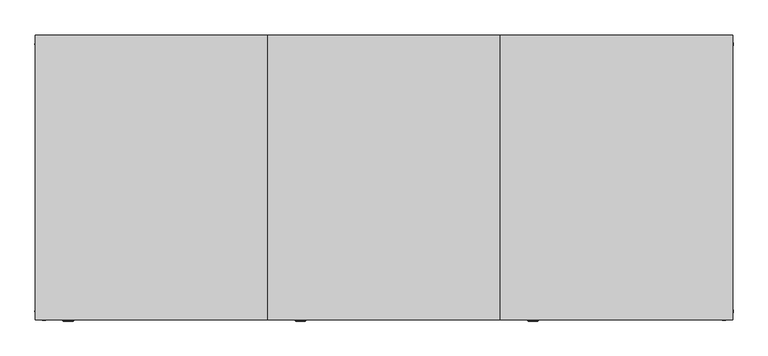
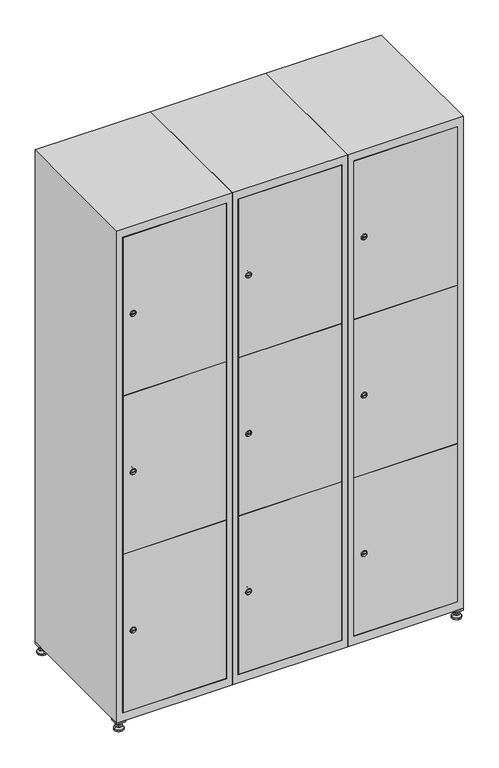
"""IFC4 building model written with IfcOpenShell, lengths in millimetres: furniture geometry."""

from ifc_helpers import new_model, si_unit, point, frame, frame_2d, origin, origin_with_axes, place, context, project, spatial, polyline, circle_curve, trimmed, segment, composite_curve, outline, extrude, faceted_brep, source, transform, mapped, element, save
from ifc_brep_helpers import plane_surface, revolved_surface, advanced_brep


def furniture_94827fb9(model_context):
    return source(origin(), model_context, "Body", "SolidModel", [
        extrude(outline(polyline([(1000.0, 245.0), (1000.0, 215.0), (970.0, 215.0), (970.0, 245.0), (1000.0, 245.0)]), holes=[polyline([(998.0, 243.0), (972.0, 243.0), (972.0, 217.0), (998.0, 217.0), (998.0, 243.0)])]), frame((0.0, 0.0, 28.5), z_axis=(0.0, 0.0, 1.0), x_axis=(1.0, 0.0, 0.0)), (0.0, 0.0, 1.0), 6.5),
        extrude(outline(polyline([(970.0, -245.0), (970.0, -215.0), (1000.0, -215.0), (1000.0, -245.0), (970.0, -245.0)]), holes=[polyline([(972.0, -243.0), (998.0, -243.0), (998.0, -217.0), (972.0, -217.0), (972.0, -243.0)])]), frame((0.0, 0.0, 28.5), z_axis=(0.0, 0.0, 1.0), x_axis=(1.0, 0.0, 0.0)), (0.0, 0.0, 1.0), 6.5),
        extrude(outline(polyline([(-170.0, 245.0), (-170.0, 215.0), (-200.0, 215.0), (-200.0, 245.0), (-170.0, 245.0)]), holes=[polyline([(-172.0, 243.0), (-198.0, 243.0), (-198.0, 217.0), (-172.0, 217.0), (-172.0, 243.0)])]), frame((0.0, 0.0, 28.5), z_axis=(0.0, 0.0, 1.0), x_axis=(1.0, 0.0, 0.0)), (0.0, 0.0, 1.0), 6.5),
        extrude(outline(polyline([(-170.0, -215.0), (-170.0, -245.0), (-200.0, -245.0), (-200.0, -215.0), (-170.0, -215.0)]), holes=[polyline([(-198.0, -243.0), (-172.0, -243.0), (-172.0, -217.0), (-198.0, -217.0), (-198.0, -243.0)])]), frame((0.0, 0.0, 28.5), z_axis=(0.0, 0.0, 1.0), x_axis=(1.0, 0.0, 0.0)), (0.0, 0.0, 1.0), 6.5),
        extrude(outline(composite_curve([segment(trimmed(circle_curve(frame_2d((-185.0, 230.0)), 5.0), [point((-180.0, 230.0))], [point((-190.0, 230.0))], False, "CARTESIAN"), True, "CONTINUOUS"), segment(trimmed(circle_curve(frame_2d((-185.0, 230.0)), 5.0), [point((-190.0, 230.0))], [point((-180.0, 230.0))], False, "CARTESIAN"), True, "CONTINUOUS")], self_intersect=False)), frame((0.0, 0.0, 19.6), z_axis=(0.0, 0.0, 1.0), x_axis=(1.0, 0.0, 0.0)), (0.0, 0.0, 1.0), 15.4),
        extrude(outline(composite_curve([segment(trimmed(circle_curve(frame_2d((-185.0, -230.0)), 5.0), [point((-180.0, -230.0))], [point((-190.0, -230.0))], False, "CARTESIAN"), True, "CONTINUOUS"), segment(trimmed(circle_curve(frame_2d((-185.0, -230.0)), 5.0), [point((-190.0, -230.0))], [point((-180.0, -230.0))], False, "CARTESIAN"), True, "CONTINUOUS")], self_intersect=False)), frame((0.0, 0.0, 19.6), z_axis=(0.0, 0.0, 1.0), x_axis=(1.0, 0.0, 0.0)), (0.0, 0.0, 1.0), 15.4),
        extrude(outline(composite_curve([segment(trimmed(circle_curve(frame_2d((985.0, 230.0)), 5.0), [point((990.0, 230.0))], [point((980.0, 230.0))], False, "CARTESIAN"), True, "CONTINUOUS"), segment(trimmed(circle_curve(frame_2d((985.0, 230.0)), 5.0), [point((980.0, 230.0))], [point((990.0, 230.0))], False, "CARTESIAN"), True, "CONTINUOUS")], self_intersect=False)), frame((0.0, 0.0, 19.6), z_axis=(0.0, 0.0, 1.0), x_axis=(1.0, 0.0, 0.0)), (0.0, 0.0, 1.0), 15.4),
        extrude(outline(polyline([(973.4529946, 230.0), (979.2264973, 240.0), (990.7735027, 240.0), (996.5470054, 230.0), (990.7735027, 220.0), (979.2264973, 220.0), (973.4529946, 230.0)])), frame((0.0, 0.0, 13.6), z_axis=(0.0, 0.0, 1.0), x_axis=(1.0, 0.0, 0.0)), (0.0, 0.0, 1.0), 6.0),
        extrude(outline(composite_curve([segment(trimmed(circle_curve(frame_2d((985.0, -230.0)), 5.0), [point((990.0, -230.0))], [point((980.0, -230.0))], False, "CARTESIAN"), True, "CONTINUOUS"), segment(trimmed(circle_curve(frame_2d((985.0, -230.0)), 5.0), [point((980.0, -230.0))], [point((990.0, -230.0))], False, "CARTESIAN"), True, "CONTINUOUS")], self_intersect=False)), frame((0.0, 0.0, 19.6), z_axis=(0.0, 0.0, 1.0), x_axis=(1.0, 0.0, 0.0)), (0.0, 0.0, 1.0), 15.4),
        extrude(outline(polyline([(973.4529946, -230.0), (979.2264973, -220.0), (990.7735027, -220.0), (996.5470054, -230.0), (990.7735027, -240.0), (979.2264973, -240.0), (973.4529946, -230.0)])), frame((0.0, 0.0, 13.6), z_axis=(0.0, 0.0, 1.0), x_axis=(1.0, 0.0, 0.0)), (0.0, 0.0, 1.0), 6.0),
        extrude(outline(composite_curve([segment(trimmed(circle_curve(frame_2d((985.0, 230.0)), 5.0), [point((990.0, 230.0))], [point((980.0, 230.0))], False, "CARTESIAN"), True, "CONTINUOUS"), segment(trimmed(circle_curve(frame_2d((985.0, 230.0)), 5.0), [point((980.0, 230.0))], [point((990.0, 230.0))], False, "CARTESIAN"), True, "CONTINUOUS")], self_intersect=False)), frame((0.0, 0.0, 12.1), z_axis=(0.0, 0.0, 1.0), x_axis=(1.0, 0.0, 0.0)), (0.0, 0.0, 1.0), 1.5),
        extrude(outline(composite_curve([segment(trimmed(circle_curve(frame_2d((985.0, -230.0)), 5.0), [point((990.0, -230.0))], [point((980.0, -230.0))], False, "CARTESIAN"), True, "CONTINUOUS"), segment(trimmed(circle_curve(frame_2d((985.0, -230.0)), 5.0), [point((980.0, -230.0))], [point((990.0, -230.0))], False, "CARTESIAN"), True, "CONTINUOUS")], self_intersect=False)), frame((0.0, 0.0, 12.1), z_axis=(0.0, 0.0, 1.0), x_axis=(1.0, 0.0, 0.0)), (0.0, 0.0, 1.0), 1.5),
        extrude(outline(polyline([(-196.5470054, 230.0), (-190.7735027, 240.0), (-179.2264973, 240.0), (-173.4529946, 230.0), (-179.2264973, 220.0), (-190.7735027, 220.0), (-196.5470054, 230.0)])), frame((0.0, 0.0, 13.6), z_axis=(0.0, 0.0, 1.0), x_axis=(1.0, 0.0, 0.0)), (0.0, 0.0, 1.0), 6.0),
        extrude(outline(polyline([(-196.5470054, -230.0), (-190.7735027, -220.0), (-179.2264973, -220.0), (-173.4529946, -230.0), (-179.2264973, -240.0), (-190.7735027, -240.0), (-196.5470054, -230.0)])), frame((0.0, 0.0, 13.6), z_axis=(0.0, 0.0, 1.0), x_axis=(1.0, 0.0, 0.0)), (0.0, 0.0, 1.0), 6.0),
        extrude(outline(composite_curve([segment(trimmed(circle_curve(frame_2d((-185.0, 230.0)), 5.0), [point((-185.0, 235.0))], [point((-185.0, 225.0))], False, "CARTESIAN"), True, "CONTINUOUS"), segment(trimmed(circle_curve(frame_2d((-185.0, 230.0)), 5.0), [point((-185.0, 225.0))], [point((-185.0, 235.0))], False, "CARTESIAN"), True, "CONTINUOUS")], self_intersect=False)), frame((0.0, 0.0, 12.1), z_axis=(0.0, 0.0, 1.0), x_axis=(1.0, 0.0, 0.0)), (0.0, 0.0, 1.0), 1.5),
        extrude(outline(composite_curve([segment(trimmed(circle_curve(frame_2d((-185.0, -230.0)), 5.0), [point((-180.0, -230.0))], [point((-190.0, -230.0))], False, "CARTESIAN"), True, "CONTINUOUS"), segment(trimmed(circle_curve(frame_2d((-185.0, -230.0)), 5.0), [point((-190.0, -230.0))], [point((-180.0, -230.0))], False, "CARTESIAN"), True, "CONTINUOUS")], self_intersect=False)), frame((0.0, 0.0, 12.1), z_axis=(0.0, 0.0, 1.0), x_axis=(1.0, 0.0, 0.0)), (0.0, 0.0, 1.0), 1.5),
        extrude(outline(composite_curve([segment(trimmed(circle_curve(frame_2d((985.0, 230.0)), 15.75), [point((1000.75, 230.0))], [point((969.25, 230.0))], False, "CARTESIAN"), True, "CONTINUOUS"), segment(trimmed(circle_curve(frame_2d((985.0, 230.0)), 15.75), [point((969.25, 230.0))], [point((1000.75, 230.0))], False, "CARTESIAN"), True, "CONTINUOUS")], self_intersect=False)), origin_with_axes(), (0.0, 0.0, 1.0), 5.1),
        extrude(outline(composite_curve([segment(trimmed(circle_curve(frame_2d((985.0, -230.0)), 15.75), [point((985.0, -214.25))], [point((985.0, -245.75))], False, "CARTESIAN"), True, "CONTINUOUS"), segment(trimmed(circle_curve(frame_2d((985.0, -230.0)), 15.75), [point((985.0, -245.75))], [point((985.0, -214.25))], False, "CARTESIAN"), True, "CONTINUOUS")], self_intersect=False)), origin_with_axes(), (0.0, 0.0, 1.0), 5.1),
        extrude(outline(composite_curve([segment(trimmed(circle_curve(frame_2d((-185.0, -230.0)), 15.75), [point((-169.25, -230.0))], [point((-200.75, -230.0))], False, "CARTESIAN"), True, "CONTINUOUS"), segment(trimmed(circle_curve(frame_2d((-185.0, -230.0)), 15.75), [point((-200.75, -230.0))], [point((-169.25, -230.0))], False, "CARTESIAN"), True, "CONTINUOUS")], self_intersect=False)), origin_with_axes(), (0.0, 0.0, 1.0), 5.1),
        extrude(outline(composite_curve([segment(trimmed(circle_curve(frame_2d((-185.0, 230.0)), 15.75), [point((-169.25, 230.0))], [point((-200.75, 230.0))], False, "CARTESIAN"), True, "CONTINUOUS"), segment(trimmed(circle_curve(frame_2d((-185.0, 230.0)), 15.75), [point((-200.75, 230.0))], [point((-169.25, 230.0))], False, "CARTESIAN"), True, "CONTINUOUS")], self_intersect=False)), origin_with_axes(), (0.0, 0.0, 1.0), 5.1),
        advanced_brep(
        [(-185.0, 245.75, 5.1), (-185.0, 214.25, 5.1), (-185.0, 239.5, 12.1), (-185.0, 220.5, 12.1)],
        [
            (0, 1, circle_curve(frame((-185.0, 230.0, 5.1), z_axis=(0.0, 0.0, -1.0), x_axis=(0.0, 1.0, 0.0)), 15.75)),
            (1, 0, circle_curve(frame((-185.0, 230.0, 5.1), z_axis=(0.0, 0.0, -1.0), x_axis=(0.0, -1.0, 0.0)), 15.75)),
            (2, 3, circle_curve(frame((-185.0, 230.0, 12.1), z_axis=(0.0, 0.0, 1.0), x_axis=(0.0, -1.0, 0.0)), 9.5)),
            (3, 2, circle_curve(frame((-185.0, 230.0, 12.1), z_axis=(0.0, 0.0, 1.0), x_axis=(0.0, 1.0, 0.0)), 9.5)),
            (3, 1),
            (0, 2),
        ],
        [
            plane_surface(frame((-185.0, 230.0, 5.1), z_axis=(0.0, 0.0, -1.0), x_axis=(1.0, 0.0, 0.0))),
            plane_surface(frame((-185.0, 230.0, 12.1), z_axis=(0.0, 0.0, 1.0), x_axis=(1.0, 0.0, 0.0))),
            revolved_surface(polyline([(-185.0, 220.5, 12.099999999999998), (-185.0, 214.25, 5.099999999999998)]), (-185.0, 230.0, 22.74), (0.0, 0.0, -1.0)),
            revolved_surface(polyline([(-185.0, 239.5, 12.099999999999998), (-185.0, 245.75, 5.099999999999998)]), (-185.0, 230.0, 22.74), (0.0, 0.0, -1.0)),
        ],
        [
            (0, [[1, 2]]),
            (1, [[3, 4]]),
            (2, [[-4, 5, -1, 6]]),
            (3, [[-3, -6, -2, -5]]),
        ],
    ),
        advanced_brep(
        [(985.0, 245.75, 5.1), (985.0, 214.25, 5.1), (985.0, 239.5, 12.1), (985.0, 220.5, 12.1)],
        [
            (0, 1, circle_curve(frame((985.0, 230.0, 5.1), z_axis=(0.0, 0.0, -1.0), x_axis=(0.0, 1.0, 0.0)), 15.75)),
            (1, 0, circle_curve(frame((985.0, 230.0, 5.1), z_axis=(0.0, 0.0, -1.0), x_axis=(0.0, -1.0, 0.0)), 15.75)),
            (2, 3, circle_curve(frame((985.0, 230.0, 12.1), z_axis=(0.0, 0.0, 1.0), x_axis=(0.0, -1.0, 0.0)), 9.5)),
            (3, 2, circle_curve(frame((985.0, 230.0, 12.1), z_axis=(0.0, 0.0, 1.0), x_axis=(0.0, 1.0, 0.0)), 9.5)),
            (3, 1),
            (0, 2),
        ],
        [
            plane_surface(frame((985.0, 230.0, 5.1), z_axis=(0.0, 0.0, -1.0), x_axis=(1.0, 0.0, 0.0))),
            plane_surface(frame((985.0, 230.0, 12.1), z_axis=(0.0, 0.0, 1.0), x_axis=(1.0, 0.0, 0.0))),
            revolved_surface(polyline([(985.0, 220.5, 12.099999999999998), (985.0, 214.25, 5.099999999999998)]), (985.0, 230.0, 22.74), (0.0, 0.0, -1.0)),
            revolved_surface(polyline([(985.0, 239.5, 12.099999999999998), (985.0, 245.75, 5.099999999999998)]), (985.0, 230.0, 22.74), (0.0, 0.0, -1.0)),
        ],
        [
            (0, [[1, 2]]),
            (1, [[3, 4]]),
            (2, [[-4, 5, -1, 6]]),
            (3, [[-3, -6, -2, -5]]),
        ],
    ),
        advanced_brep(
        [(994.5, -230.0, 12.1), (975.5, -230.0, 12.1), (1000.75, -230.0, 5.1), (969.25, -230.0, 5.1)],
        [
            (0, 1, circle_curve(frame((985.0, -230.0, 12.1), z_axis=(0.0, 0.0, 1.0), x_axis=(1.0, 0.0, 0.0)), 9.5)),
            (1, 0, circle_curve(frame((985.0, -230.0, 12.1), z_axis=(0.0, 0.0, 1.0), x_axis=(-1.0, 0.0, 0.0)), 9.5)),
            (2, 3, circle_curve(frame((985.0, -230.0, 5.1), z_axis=(0.0, 0.0, -1.0), x_axis=(-1.0, 0.0, 0.0)), 15.75)),
            (3, 2, circle_curve(frame((985.0, -230.0, 5.1), z_axis=(0.0, 0.0, -1.0), x_axis=(1.0, 0.0, 0.0)), 15.75)),
            (3, 1),
            (0, 2),
        ],
        [
            plane_surface(frame((985.0, -230.0, 12.1), z_axis=(0.0, 0.0, 1.0), x_axis=(0.0, 1.0, 0.0))),
            plane_surface(frame((985.0, -230.0, 5.1), z_axis=(0.0, 0.0, -1.0), x_axis=(0.0, 1.0, 0.0))),
            revolved_surface(polyline([(994.5, -230.0, 12.099999999999998), (1000.75, -230.0, 5.099999999999998)]), (985.0, -230.0, 22.74), (0.0, 0.0, -1.0)),
            revolved_surface(polyline([(975.5, -230.0, 12.099999999999998), (969.25, -230.0, 5.099999999999998)]), (985.0, -230.0, 22.74), (0.0, 0.0, -1.0)),
        ],
        [
            (0, [[1, 2]]),
            (1, [[3, 4]]),
            (2, [[-4, 5, -1, 6]]),
            (3, [[-3, -6, -2, -5]]),
        ],
    ),
        advanced_brep(
        [(-175.5, -230.0, 12.1), (-194.5, -230.0, 12.1), (-169.25, -230.0, 5.1), (-200.75, -230.0, 5.1)],
        [
            (0, 1, circle_curve(frame((-185.0, -230.0, 12.1), z_axis=(0.0, 0.0, 1.0), x_axis=(1.0, 0.0, 0.0)), 9.5)),
            (1, 0, circle_curve(frame((-185.0, -230.0, 12.1), z_axis=(0.0, 0.0, 1.0), x_axis=(-1.0, 0.0, 0.0)), 9.5)),
            (2, 3, circle_curve(frame((-185.0, -230.0, 5.1), z_axis=(0.0, 0.0, -1.0), x_axis=(-1.0, 0.0, 0.0)), 15.75)),
            (3, 2, circle_curve(frame((-185.0, -230.0, 5.1), z_axis=(0.0, 0.0, -1.0), x_axis=(1.0, 0.0, 0.0)), 15.75)),
            (3, 1),
            (0, 2),
        ],
        [
            plane_surface(frame((-185.0, -230.0, 12.1), z_axis=(0.0, 0.0, 1.0), x_axis=(0.0, 1.0, 0.0))),
            plane_surface(frame((-185.0, -230.0, 5.1), z_axis=(0.0, 0.0, -1.0), x_axis=(0.0, 1.0, 0.0))),
            revolved_surface(polyline([(-175.5, -230.0, 12.099999999999998), (-169.25, -230.0, 5.099999999999998)]), (-185.0, -230.0, 22.74), (0.0, 0.0, -1.0)),
            revolved_surface(polyline([(-194.5, -230.0, 12.099999999999998), (-200.75, -230.0, 5.099999999999998)]), (-185.0, -230.0, 22.74), (0.0, 0.0, -1.0)),
        ],
        [
            (0, [[1, 2]]),
            (1, [[3, 4]]),
            (2, [[-4, 5, -1, 6]]),
            (3, [[-3, -6, -2, -5]]),
        ],
    ),
        extrude(outline(composite_curve([segment(trimmed(circle_curve(frame_2d((355.8, 629.6010534)), 7.0), [point((362.8, 629.6010534))], [point((348.8, 629.6010534))], False, "CARTESIAN"), True, "CONTINUOUS"), segment(polyline([(348.8, 629.6010534), (348.8, 657.6010534)]), True, "CONTINUOUS"), segment(trimmed(circle_curve(frame_2d((355.8, 657.6010534)), 7.0), [point((348.8, 657.6010534))], [point((362.8, 657.6010534))], False, "CARTESIAN"), True, "CONTINUOUS"), segment(polyline([(362.8, 657.6010534), (362.8, 629.6010534)]), True, "CONTINUOUS")], self_intersect=False)), frame((0.0, -227.0, 0.0), z_axis=(0.0, 1.0, 0.0), x_axis=(0.0, 0.0, 1.0)), (0.0, 0.0, 1.0), 2.0),
        advanced_brep(
        [(664.9, -247.2, 355.8), (647.9, -247.2, 355.8), (651.4, -247.2, 354.55), (651.4, -247.2, 357.05), (661.4, -247.2, 357.05), (661.4, -247.2, 354.55), (666.9, -245.0, 355.8), (645.9, -245.0, 355.8), (651.4, -245.0, 357.05), (651.4, -245.0, 354.55), (661.4, -245.0, 354.55), (661.4, -245.0, 357.05)],
        [
            (0, 1, circle_curve(frame((656.4, -247.2, 355.8), z_axis=(0.0, -1.0, 0.0), x_axis=(1.0, 0.0, 0.0)), 8.5)),
            (1, 0, circle_curve(frame((656.4, -247.2, 355.8), z_axis=(0.0, -1.0, 0.0), x_axis=(-1.0, 0.0, 0.0)), 8.5)),
            (2, 3),
            (3, 4),
            (4, 5),
            (5, 2),
            (6, 7, circle_curve(frame((656.4, -245.0, 355.8), z_axis=(0.0, 1.0, 0.0), x_axis=(-1.0, 0.0, 0.0)), 10.5)),
            (7, 6, circle_curve(frame((656.4, -245.0, 355.8), z_axis=(0.0, 1.0, 0.0), x_axis=(1.0, 0.0, 0.0)), 10.5)),
            (8, 9),
            (9, 10),
            (10, 11),
            (11, 8),
            (0, 6),
            (7, 1),
            (8, 3),
            (2, 9),
            (11, 4),
            (10, 5),
        ],
        [
            plane_surface(frame((656.4, -247.2, 355.8), z_axis=(0.0, -1.0, 0.0), x_axis=(0.0, 0.0, 1.0))),
            plane_surface(frame((656.4, -245.0, 355.8), z_axis=(0.0, 1.0, 0.0), x_axis=(0.0, 0.0, 1.0))),
            revolved_surface(polyline([(664.9, -247.2, 355.8), (666.9, -245.0, 355.8)]), (656.4, -256.55, 355.8), (0.0, 1.0, 0.0)),
            revolved_surface(polyline([(647.9, -247.2, 355.8), (645.9, -245.0, 355.8)]), (656.4, -256.55, 355.8), (0.0, 1.0, 0.0)),
            plane_surface(frame((651.4, -245.0, 354.55), z_axis=(1.0, 0.0, 0.0), x_axis=(0.0, -1.0, 0.0))),
            plane_surface(frame((651.4, -245.0, 357.05), z_axis=(0.0, 0.0, -1.0), x_axis=(0.0, -1.0, 0.0))),
            plane_surface(frame((661.4, -245.0, 357.05), z_axis=(-1.0, 0.0, 0.0), x_axis=(0.0, -1.0, 0.0))),
            plane_surface(frame((661.4, -245.0, 354.55), z_axis=(0.0, 0.0, 1.0), x_axis=(0.0, -1.0, 0.0))),
        ],
        [
            (0, [[1, 2], [3, 4, 5, 6]]),
            (1, [[7, 8], [9, 10, 11, 12]]),
            (2, [[-1, 13, -8, 14]]),
            (3, [[-2, -14, -7, -13]]),
            (4, [[15, -3, 16, -9]]),
            (5, [[-15, -12, 17, -4]]),
            (6, [[-17, -11, 18, -5]]),
            (7, [[-16, -6, -18, -10]]),
        ],
    ),
        extrude(outline(composite_curve([segment(trimmed(circle_curve(frame_2d((935.0, 629.6010534)), 7.0), [point((942.0, 629.6010534))], [point((928.0, 629.6010534))], False, "CARTESIAN"), True, "CONTINUOUS"), segment(polyline([(928.0, 629.6010534), (928.0, 657.6010534)]), True, "CONTINUOUS"), segment(trimmed(circle_curve(frame_2d((935.0, 657.6010534)), 7.0), [point((928.0, 657.6010534))], [point((942.0, 657.6010534))], False, "CARTESIAN"), True, "CONTINUOUS"), segment(polyline([(942.0, 657.6010534), (942.0, 629.6010534)]), True, "CONTINUOUS")], self_intersect=False)), frame((0.0, -227.0, 0.0), z_axis=(0.0, 1.0, 0.0), x_axis=(0.0, 0.0, 1.0)), (0.0, 0.0, 1.0), 2.0),
        advanced_brep(
        [(664.9, -247.2, 935.0), (647.9, -247.2, 935.0), (651.4, -247.2, 933.75), (651.4, -247.2, 936.25), (661.4, -247.2, 936.25), (661.4, -247.2, 933.75), (666.9, -245.0, 935.0), (645.9, -245.0, 935.0), (651.4, -245.0, 936.25), (651.4, -245.0, 933.75), (661.4, -245.0, 933.75), (661.4, -245.0, 936.25)],
        [
            (0, 1, circle_curve(frame((656.4, -247.2, 935.0), z_axis=(0.0, -1.0, 0.0), x_axis=(1.0, 0.0, 0.0)), 8.5)),
            (1, 0, circle_curve(frame((656.4, -247.2, 935.0), z_axis=(0.0, -1.0, 0.0), x_axis=(-1.0, 0.0, 0.0)), 8.5)),
            (2, 3),
            (3, 4),
            (4, 5),
            (5, 2),
            (6, 7, circle_curve(frame((656.4, -245.0, 935.0), z_axis=(0.0, 1.0, 0.0), x_axis=(-1.0, 0.0, 0.0)), 10.5)),
            (7, 6, circle_curve(frame((656.4, -245.0, 935.0), z_axis=(0.0, 1.0, 0.0), x_axis=(1.0, 0.0, 0.0)), 10.5)),
            (8, 9),
            (9, 10),
            (10, 11),
            (11, 8),
            (0, 6),
            (7, 1),
            (8, 3),
            (2, 9),
            (11, 4),
            (10, 5),
        ],
        [
            plane_surface(frame((656.4, -247.2, 935.0), z_axis=(0.0, -1.0, 0.0), x_axis=(0.0, 0.0, 1.0))),
            plane_surface(frame((656.4, -245.0, 935.0), z_axis=(0.0, 1.0, 0.0), x_axis=(0.0, 0.0, 1.0))),
            revolved_surface(polyline([(664.9, -247.2, 935.0), (666.9, -245.0, 935.0)]), (656.4, -256.55, 935.0), (0.0, 1.0, 0.0)),
            revolved_surface(polyline([(647.9, -247.2, 935.0), (645.9, -245.0, 935.0)]), (656.4, -256.55, 935.0), (0.0, 1.0, 0.0)),
            plane_surface(frame((651.4, -245.0, 933.75), z_axis=(1.0, 0.0, 0.0), x_axis=(0.0, -1.0, 0.0))),
            plane_surface(frame((651.4, -245.0, 936.25), z_axis=(0.0, 0.0, -1.0), x_axis=(0.0, -1.0, 0.0))),
            plane_surface(frame((661.4, -245.0, 936.25), z_axis=(-1.0, 0.0, 0.0), x_axis=(0.0, -1.0, 0.0))),
            plane_surface(frame((661.4, -245.0, 933.75), z_axis=(0.0, 0.0, 1.0), x_axis=(0.0, -1.0, 0.0))),
        ],
        [
            (0, [[1, 2], [3, 4, 5, 6]]),
            (1, [[7, 8], [9, 10, 11, 12]]),
            (2, [[-1, 13, -8, 14]]),
            (3, [[-2, -14, -7, -13]]),
            (4, [[15, -3, 16, -9]]),
            (5, [[-15, -12, 17, -4]]),
            (6, [[-17, -11, 18, -5]]),
            (7, [[-16, -6, -18, -10]]),
        ],
    ),
        extrude(outline(composite_curve([segment(trimmed(circle_curve(frame_2d((1514.2, 629.6010534)), 7.0), [point((1521.2, 629.6010534))], [point((1507.2, 629.6010534))], False, "CARTESIAN"), True, "CONTINUOUS"), segment(polyline([(1507.2, 629.6010534), (1507.2, 657.6010534)]), True, "CONTINUOUS"), segment(trimmed(circle_curve(frame_2d((1514.2, 657.6010534)), 7.0), [point((1507.2, 657.6010534))], [point((1521.2, 657.6010534))], False, "CARTESIAN"), True, "CONTINUOUS"), segment(polyline([(1521.2, 657.6010534), (1521.2, 629.6010534)]), True, "CONTINUOUS")], self_intersect=False)), frame((0.0, -227.0, 0.0), z_axis=(0.0, 1.0, 0.0), x_axis=(0.0, 0.0, 1.0)), (0.0, 0.0, 1.0), 2.0),
        advanced_brep(
        [(664.9, -247.2, 1514.2), (647.9, -247.2, 1514.2), (651.4, -247.2, 1512.95), (651.4, -247.2, 1515.45), (661.4, -247.2, 1515.45), (661.4, -247.2, 1512.95), (666.9, -245.0, 1514.2), (645.9, -245.0, 1514.2), (651.4, -245.0, 1515.45), (651.4, -245.0, 1512.95), (661.4, -245.0, 1512.95), (661.4, -245.0, 1515.45)],
        [
            (0, 1, circle_curve(frame((656.4, -247.2, 1514.2), z_axis=(0.0, -1.0, 0.0), x_axis=(1.0, 0.0, 0.0)), 8.5)),
            (1, 0, circle_curve(frame((656.4, -247.2, 1514.2), z_axis=(0.0, -1.0, 0.0), x_axis=(-1.0, 0.0, 0.0)), 8.5)),
            (2, 3),
            (3, 4),
            (4, 5),
            (5, 2),
            (6, 7, circle_curve(frame((656.4, -245.0, 1514.2), z_axis=(0.0, 1.0, 0.0), x_axis=(-1.0, 0.0, 0.0)), 10.5)),
            (7, 6, circle_curve(frame((656.4, -245.0, 1514.2), z_axis=(0.0, 1.0, 0.0), x_axis=(1.0, 0.0, 0.0)), 10.5)),
            (8, 9),
            (9, 10),
            (10, 11),
            (11, 8),
            (0, 6),
            (7, 1),
            (8, 3),
            (2, 9),
            (11, 4),
            (10, 5),
        ],
        [
            plane_surface(frame((656.4, -247.2, 1514.2), z_axis=(0.0, -1.0, 0.0), x_axis=(0.0, 0.0, 1.0))),
            plane_surface(frame((656.4, -245.0, 1514.2), z_axis=(0.0, 1.0, 0.0), x_axis=(0.0, 0.0, 1.0))),
            revolved_surface(polyline([(664.9, -247.2, 1514.2), (666.9, -245.0, 1514.2)]), (656.4, -256.55, 1514.2), (0.0, 1.0, 0.0)),
            revolved_surface(polyline([(647.9, -247.2, 1514.2), (645.9, -245.0, 1514.2)]), (656.4, -256.55, 1514.2), (0.0, 1.0, 0.0)),
            plane_surface(frame((651.4, -245.0, 1512.95), z_axis=(1.0, 0.0, 0.0), x_axis=(0.0, -1.0, 0.0))),
            plane_surface(frame((651.4, -245.0, 1515.45), z_axis=(0.0, 0.0, -1.0), x_axis=(0.0, -1.0, 0.0))),
            plane_surface(frame((661.4, -245.0, 1515.45), z_axis=(-1.0, 0.0, 0.0), x_axis=(0.0, -1.0, 0.0))),
            plane_surface(frame((661.4, -245.0, 1512.95), z_axis=(0.0, 0.0, 1.0), x_axis=(0.0, -1.0, 0.0))),
        ],
        [
            (0, [[1, 2], [3, 4, 5, 6]]),
            (1, [[7, 8], [9, 10, 11, 12]]),
            (2, [[-1, 13, -8, 14]]),
            (3, [[-2, -14, -7, -13]]),
            (4, [[15, -3, 16, -9]]),
            (5, [[-15, -12, 17, -4]]),
            (6, [[-17, -11, 18, -5]]),
            (7, [[-16, -6, -18, -10]]),
        ],
    ),
        extrude(outline(polyline([(978.6, -227.0), (978.6, -245.0), (621.4, -245.0), (621.4, -227.0), (978.6, -227.0)])), frame((0.0, 0.0, 645.9), z_axis=(0.0, 0.0, 1.0), x_axis=(1.0, 0.0, 0.0)), (0.0, 0.0, 1.0), 578.2),
        extrude(outline(polyline([(621.4, -245.0), (621.4, -227.0), (978.6, -227.0), (978.6, -245.0), (621.4, -245.0)])), frame((0.0, 0.0, 1225.1), z_axis=(0.0, 0.0, 1.0), x_axis=(1.0, 0.0, 0.0)), (0.0, 0.0, 1.0), 578.7),
        extrude(outline(polyline([(978.6, -227.0), (978.6, -245.0), (621.4, -245.0), (621.4, -227.0), (978.6, -227.0)])), frame((0.0, 0.0, 66.2), z_axis=(0.0, 0.0, 1.0), x_axis=(1.0, 0.0, 0.0)), (0.0, 0.0, 1.0), 578.7),
        extrude(outline(polyline([(979.6, 242.0), (979.6, -227.0), (620.4, -227.0), (620.4, 242.0), (979.6, 242.0)])), frame((0.0, 0.0, 1214.7333333), z_axis=(0.0, 0.0, 1.0), x_axis=(1.0, 0.0, 0.0)), (0.0, 0.0, 1.0), 20.4),
        extrude(outline(polyline([(620.4, 242.0), (979.6, 242.0), (979.6, -227.0), (620.4, -227.0), (620.4, 242.0)])), frame((0.0, 0.0, 634.8666667), z_axis=(0.0, 0.0, 1.0), x_axis=(1.0, 0.0, 0.0)), (0.0, 0.0, 1.0), 20.4),
        faceted_brep([(1000.0, -245.0, 35.0), (1000.0, -245.0, 1835.0), (600.0, -245.0, 1835.0), (600.0, -245.0, 35.0), (979.6, -245.0, 1804.8), (979.6, -245.0, 65.2), (620.4, -245.0, 65.2), (620.4, -245.0, 1804.8), (1000.0, 245.0, 35.0), (600.0, 245.0, 35.0), (1000.0, 245.0, 1835.0), (600.0, 245.0, 1835.0), (979.6, 242.0, 1804.8), (979.6, 242.0, 65.2), (600.0, 245.0, 1804.8), (620.4, 242.0, 1804.8), (620.4, 242.0, 65.2)], [[[0, 1, 2, 3], [4, 5, 6, 7]], [[8, 0, 3, 9]], [[1, 0, 8, 10]], [[1, 10, 11, 2]], [[4, 12, 13, 5]], [[9, 3, 2, 11, 14]], [[10, 8, 9, 14, 11]], [[12, 15, 16, 13]], [[15, 7, 6, 16]], [[4, 7, 15, 12]], [[6, 5, 13, 16]]]),
        extrude(outline(composite_curve([segment(trimmed(circle_curve(frame_2d((355.8, 229.6010534)), 7.0), [point((362.8, 229.6010534))], [point((348.8, 229.6010534))], False, "CARTESIAN"), True, "CONTINUOUS"), segment(polyline([(348.8, 229.6010534), (348.8, 257.6010534)]), True, "CONTINUOUS"), segment(trimmed(circle_curve(frame_2d((355.8, 257.6010534)), 7.0), [point((348.8, 257.6010534))], [point((362.8, 257.6010534))], False, "CARTESIAN"), True, "CONTINUOUS"), segment(polyline([(362.8, 257.6010534), (362.8, 229.6010534)]), True, "CONTINUOUS")], self_intersect=False)), frame((0.0, -227.0, 0.0), z_axis=(0.0, 1.0, 0.0), x_axis=(0.0, 0.0, 1.0)), (0.0, 0.0, 1.0), 2.0),
        advanced_brep(
        [(264.9, -247.2, 355.8), (247.9, -247.2, 355.8), (251.4, -247.2, 354.55), (251.4, -247.2, 357.05), (261.4, -247.2, 357.05), (261.4, -247.2, 354.55), (266.9, -245.0, 355.8), (245.9, -245.0, 355.8), (251.4, -245.0, 357.05), (251.4, -245.0, 354.55), (261.4, -245.0, 354.55), (261.4, -245.0, 357.05)],
        [
            (0, 1, circle_curve(frame((256.4, -247.2, 355.8), z_axis=(0.0, -1.0, 0.0), x_axis=(1.0, 0.0, 0.0)), 8.5)),
            (1, 0, circle_curve(frame((256.4, -247.2, 355.8), z_axis=(0.0, -1.0, 0.0), x_axis=(-1.0, 0.0, 0.0)), 8.5)),
            (2, 3),
            (3, 4),
            (4, 5),
            (5, 2),
            (6, 7, circle_curve(frame((256.4, -245.0, 355.8), z_axis=(0.0, 1.0, 0.0), x_axis=(-1.0, 0.0, 0.0)), 10.5)),
            (7, 6, circle_curve(frame((256.4, -245.0, 355.8), z_axis=(0.0, 1.0, 0.0), x_axis=(1.0, 0.0, 0.0)), 10.5)),
            (8, 9),
            (9, 10),
            (10, 11),
            (11, 8),
            (0, 6),
            (7, 1),
            (8, 3),
            (2, 9),
            (11, 4),
            (10, 5),
        ],
        [
            plane_surface(frame((256.4, -247.2, 355.8), z_axis=(0.0, -1.0, 0.0), x_axis=(0.0, 0.0, 1.0))),
            plane_surface(frame((256.4, -245.0, 355.8), z_axis=(0.0, 1.0, 0.0), x_axis=(0.0, 0.0, 1.0))),
            revolved_surface(polyline([(264.9, -247.2, 355.8), (266.9, -245.0, 355.8)]), (256.4, -256.55, 355.8), (0.0, 1.0, 0.0)),
            revolved_surface(polyline([(247.89999999999998, -247.2, 355.8), (245.9, -245.0, 355.8)]), (256.4, -256.55, 355.8), (0.0, 1.0, 0.0)),
            plane_surface(frame((251.4, -245.0, 354.55), z_axis=(1.0, 0.0, 0.0), x_axis=(0.0, -1.0, 0.0))),
            plane_surface(frame((251.4, -245.0, 357.05), z_axis=(0.0, 0.0, -1.0), x_axis=(0.0, -1.0, 0.0))),
            plane_surface(frame((261.4, -245.0, 357.05), z_axis=(-1.0, 0.0, 0.0), x_axis=(0.0, -1.0, 0.0))),
            plane_surface(frame((261.4, -245.0, 354.55), z_axis=(0.0, 0.0, 1.0), x_axis=(0.0, -1.0, 0.0))),
        ],
        [
            (0, [[1, 2], [3, 4, 5, 6]]),
            (1, [[7, 8], [9, 10, 11, 12]]),
            (2, [[-1, 13, -8, 14]]),
            (3, [[-2, -14, -7, -13]]),
            (4, [[15, -3, 16, -9]]),
            (5, [[-15, -12, 17, -4]]),
            (6, [[-17, -11, 18, -5]]),
            (7, [[-16, -6, -18, -10]]),
        ],
    ),
        extrude(outline(composite_curve([segment(trimmed(circle_curve(frame_2d((935.0, 229.6010534)), 7.0), [point((942.0, 229.6010534))], [point((928.0, 229.6010534))], False, "CARTESIAN"), True, "CONTINUOUS"), segment(polyline([(928.0, 229.6010534), (928.0, 257.6010534)]), True, "CONTINUOUS"), segment(trimmed(circle_curve(frame_2d((935.0, 257.6010534)), 7.0), [point((928.0, 257.6010534))], [point((942.0, 257.6010534))], False, "CARTESIAN"), True, "CONTINUOUS"), segment(polyline([(942.0, 257.6010534), (942.0, 229.6010534)]), True, "CONTINUOUS")], self_intersect=False)), frame((0.0, -227.0, 0.0), z_axis=(0.0, 1.0, 0.0), x_axis=(0.0, 0.0, 1.0)), (0.0, 0.0, 1.0), 2.0),
        advanced_brep(
        [(264.9, -247.2, 935.0), (247.9, -247.2, 935.0), (251.4, -247.2, 933.75), (251.4, -247.2, 936.25), (261.4, -247.2, 936.25), (261.4, -247.2, 933.75), (266.9, -245.0, 935.0), (245.9, -245.0, 935.0), (251.4, -245.0, 936.25), (251.4, -245.0, 933.75), (261.4, -245.0, 933.75), (261.4, -245.0, 936.25)],
        [
            (0, 1, circle_curve(frame((256.4, -247.2, 935.0), z_axis=(0.0, -1.0, 0.0), x_axis=(1.0, 0.0, 0.0)), 8.5)),
            (1, 0, circle_curve(frame((256.4, -247.2, 935.0), z_axis=(0.0, -1.0, 0.0), x_axis=(-1.0, 0.0, 0.0)), 8.5)),
            (2, 3),
            (3, 4),
            (4, 5),
            (5, 2),
            (6, 7, circle_curve(frame((256.4, -245.0, 935.0), z_axis=(0.0, 1.0, 0.0), x_axis=(-1.0, 0.0, 0.0)), 10.5)),
            (7, 6, circle_curve(frame((256.4, -245.0, 935.0), z_axis=(0.0, 1.0, 0.0), x_axis=(1.0, 0.0, 0.0)), 10.5)),
            (8, 9),
            (9, 10),
            (10, 11),
            (11, 8),
            (0, 6),
            (7, 1),
            (8, 3),
            (2, 9),
            (11, 4),
            (10, 5),
        ],
        [
            plane_surface(frame((256.4, -247.2, 935.0), z_axis=(0.0, -1.0, 0.0), x_axis=(0.0, 0.0, 1.0))),
            plane_surface(frame((256.4, -245.0, 935.0), z_axis=(0.0, 1.0, 0.0), x_axis=(0.0, 0.0, 1.0))),
            revolved_surface(polyline([(264.9, -247.2, 935.0), (266.9, -245.0, 935.0)]), (256.4, -256.55, 935.0), (0.0, 1.0, 0.0)),
            revolved_surface(polyline([(247.89999999999998, -247.2, 935.0), (245.9, -245.0, 935.0)]), (256.4, -256.55, 935.0), (0.0, 1.0, 0.0)),
            plane_surface(frame((251.4, -245.0, 933.75), z_axis=(1.0, 0.0, 0.0), x_axis=(0.0, -1.0, 0.0))),
            plane_surface(frame((251.4, -245.0, 936.25), z_axis=(0.0, 0.0, -1.0), x_axis=(0.0, -1.0, 0.0))),
            plane_surface(frame((261.4, -245.0, 936.25), z_axis=(-1.0, 0.0, 0.0), x_axis=(0.0, -1.0, 0.0))),
            plane_surface(frame((261.4, -245.0, 933.75), z_axis=(0.0, 0.0, 1.0), x_axis=(0.0, -1.0, 0.0))),
        ],
        [
            (0, [[1, 2], [3, 4, 5, 6]]),
            (1, [[7, 8], [9, 10, 11, 12]]),
            (2, [[-1, 13, -8, 14]]),
            (3, [[-2, -14, -7, -13]]),
            (4, [[15, -3, 16, -9]]),
            (5, [[-15, -12, 17, -4]]),
            (6, [[-17, -11, 18, -5]]),
            (7, [[-16, -6, -18, -10]]),
        ],
    ),
        extrude(outline(composite_curve([segment(trimmed(circle_curve(frame_2d((1514.2, 229.6010534)), 7.0), [point((1521.2, 229.6010534))], [point((1507.2, 229.6010534))], False, "CARTESIAN"), True, "CONTINUOUS"), segment(polyline([(1507.2, 229.6010534), (1507.2, 257.6010534)]), True, "CONTINUOUS"), segment(trimmed(circle_curve(frame_2d((1514.2, 257.6010534)), 7.0), [point((1507.2, 257.6010534))], [point((1521.2, 257.6010534))], False, "CARTESIAN"), True, "CONTINUOUS"), segment(polyline([(1521.2, 257.6010534), (1521.2, 229.6010534)]), True, "CONTINUOUS")], self_intersect=False)), frame((0.0, -227.0, 0.0), z_axis=(0.0, 1.0, 0.0), x_axis=(0.0, 0.0, 1.0)), (0.0, 0.0, 1.0), 2.0),
        advanced_brep(
        [(264.9, -247.2, 1514.2), (247.9, -247.2, 1514.2), (251.4, -247.2, 1512.95), (251.4, -247.2, 1515.45), (261.4, -247.2, 1515.45), (261.4, -247.2, 1512.95), (266.9, -245.0, 1514.2), (245.9, -245.0, 1514.2), (251.4, -245.0, 1515.45), (251.4, -245.0, 1512.95), (261.4, -245.0, 1512.95), (261.4, -245.0, 1515.45)],
        [
            (0, 1, circle_curve(frame((256.4, -247.2, 1514.2), z_axis=(0.0, -1.0, 0.0), x_axis=(1.0, 0.0, 0.0)), 8.5)),
            (1, 0, circle_curve(frame((256.4, -247.2, 1514.2), z_axis=(0.0, -1.0, 0.0), x_axis=(-1.0, 0.0, 0.0)), 8.5)),
            (2, 3),
            (3, 4),
            (4, 5),
            (5, 2),
            (6, 7, circle_curve(frame((256.4, -245.0, 1514.2), z_axis=(0.0, 1.0, 0.0), x_axis=(-1.0, 0.0, 0.0)), 10.5)),
            (7, 6, circle_curve(frame((256.4, -245.0, 1514.2), z_axis=(0.0, 1.0, 0.0), x_axis=(1.0, 0.0, 0.0)), 10.5)),
            (8, 9),
            (9, 10),
            (10, 11),
            (11, 8),
            (0, 6),
            (7, 1),
            (8, 3),
            (2, 9),
            (11, 4),
            (10, 5),
        ],
        [
            plane_surface(frame((256.4, -247.2, 1514.2), z_axis=(0.0, -1.0, 0.0), x_axis=(0.0, 0.0, 1.0))),
            plane_surface(frame((256.4, -245.0, 1514.2), z_axis=(0.0, 1.0, 0.0), x_axis=(0.0, 0.0, 1.0))),
            revolved_surface(polyline([(264.9, -247.2, 1514.2), (266.9, -245.0, 1514.2)]), (256.4, -256.55, 1514.2), (0.0, 1.0, 0.0)),
            revolved_surface(polyline([(247.89999999999998, -247.2, 1514.2), (245.9, -245.0, 1514.2)]), (256.4, -256.55, 1514.2), (0.0, 1.0, 0.0)),
            plane_surface(frame((251.4, -245.0, 1512.95), z_axis=(1.0, 0.0, 0.0), x_axis=(0.0, -1.0, 0.0))),
            plane_surface(frame((251.4, -245.0, 1515.45), z_axis=(0.0, 0.0, -1.0), x_axis=(0.0, -1.0, 0.0))),
            plane_surface(frame((261.4, -245.0, 1515.45), z_axis=(-1.0, 0.0, 0.0), x_axis=(0.0, -1.0, 0.0))),
            plane_surface(frame((261.4, -245.0, 1512.95), z_axis=(0.0, 0.0, 1.0), x_axis=(0.0, -1.0, 0.0))),
        ],
        [
            (0, [[1, 2], [3, 4, 5, 6]]),
            (1, [[7, 8], [9, 10, 11, 12]]),
            (2, [[-1, 13, -8, 14]]),
            (3, [[-2, -14, -7, -13]]),
            (4, [[15, -3, 16, -9]]),
            (5, [[-15, -12, 17, -4]]),
            (6, [[-17, -11, 18, -5]]),
            (7, [[-16, -6, -18, -10]]),
        ],
    ),
        extrude(outline(polyline([(578.6, -227.0), (578.6, -245.0), (221.4, -245.0), (221.4, -227.0), (578.6, -227.0)])), frame((0.0, 0.0, 645.9), z_axis=(0.0, 0.0, 1.0), x_axis=(1.0, 0.0, 0.0)), (0.0, 0.0, 1.0), 578.2),
        extrude(outline(polyline([(221.4, -245.0), (221.4, -227.0), (578.6, -227.0), (578.6, -245.0), (221.4, -245.0)])), frame((0.0, 0.0, 1225.1), z_axis=(0.0, 0.0, 1.0), x_axis=(1.0, 0.0, 0.0)), (0.0, 0.0, 1.0), 578.7),
        extrude(outline(polyline([(578.6, -227.0), (578.6, -245.0), (221.4, -245.0), (221.4, -227.0), (578.6, -227.0)])), frame((0.0, 0.0, 66.2), z_axis=(0.0, 0.0, 1.0), x_axis=(1.0, 0.0, 0.0)), (0.0, 0.0, 1.0), 578.7),
        extrude(outline(polyline([(579.6, 242.0), (579.6, -227.0), (220.4, -227.0), (220.4, 242.0), (579.6, 242.0)])), frame((0.0, 0.0, 1214.7333333), z_axis=(0.0, 0.0, 1.0), x_axis=(1.0, 0.0, 0.0)), (0.0, 0.0, 1.0), 20.4),
        extrude(outline(polyline([(220.4, 242.0), (579.6, 242.0), (579.6, -227.0), (220.4, -227.0), (220.4, 242.0)])), frame((0.0, 0.0, 634.8666667), z_axis=(0.0, 0.0, 1.0), x_axis=(1.0, 0.0, 0.0)), (0.0, 0.0, 1.0), 20.4),
        faceted_brep([(600.0, -245.0, 35.0), (600.0, -245.0, 1835.0), (200.0, -245.0, 1835.0), (200.0, -245.0, 35.0), (579.6, -245.0, 1804.8), (579.6, -245.0, 65.2), (220.4, -245.0, 65.2), (220.4, -245.0, 1804.8), (600.0, 245.0, 35.0), (200.0, 245.0, 35.0), (600.0, 245.0, 1835.0), (200.0, 245.0, 1835.0), (579.6, 242.0, 1804.8), (579.6, 242.0, 65.2), (200.0, 245.0, 1804.8), (220.4, 242.0, 1804.8), (220.4, 242.0, 65.2)], [[[0, 1, 2, 3], [4, 5, 6, 7]], [[8, 0, 3, 9]], [[1, 0, 8, 10]], [[1, 10, 11, 2]], [[4, 12, 13, 5]], [[9, 3, 2, 11, 14]], [[10, 8, 9, 14, 11]], [[12, 15, 16, 13]], [[15, 7, 6, 16]], [[4, 7, 15, 12]], [[6, 5, 13, 16]]]),
        extrude(outline(composite_curve([segment(trimmed(circle_curve(frame_2d((355.8, -170.3989466)), 7.0), [point((362.8, -170.3989466))], [point((348.8, -170.3989466))], False, "CARTESIAN"), True, "CONTINUOUS"), segment(polyline([(348.8, -170.3989466), (348.8, -142.3989466)]), True, "CONTINUOUS"), segment(trimmed(circle_curve(frame_2d((355.8, -142.3989466)), 7.0), [point((348.8, -142.3989466))], [point((362.8, -142.3989466))], False, "CARTESIAN"), True, "CONTINUOUS"), segment(polyline([(362.8, -142.3989466), (362.8, -170.3989466)]), True, "CONTINUOUS")], self_intersect=False)), frame((0.0, -227.0, 0.0), z_axis=(0.0, 1.0, 0.0), x_axis=(0.0, 0.0, 1.0)), (0.0, 0.0, 1.0), 2.0),
        advanced_brep(
        [(-135.1, -247.2, 355.8), (-152.1, -247.2, 355.8), (-148.6, -247.2, 354.55), (-148.6, -247.2, 357.05), (-138.6, -247.2, 357.05), (-138.6, -247.2, 354.55), (-133.1, -245.0, 355.8), (-154.1, -245.0, 355.8), (-148.6, -245.0, 357.05), (-148.6, -245.0, 354.55), (-138.6, -245.0, 354.55), (-138.6, -245.0, 357.05)],
        [
            (0, 1, circle_curve(frame((-143.6, -247.2, 355.8), z_axis=(0.0, -1.0, 0.0), x_axis=(1.0, 0.0, 0.0)), 8.5)),
            (1, 0, circle_curve(frame((-143.6, -247.2, 355.8), z_axis=(0.0, -1.0, 0.0), x_axis=(-1.0, 0.0, 0.0)), 8.5)),
            (2, 3),
            (3, 4),
            (4, 5),
            (5, 2),
            (6, 7, circle_curve(frame((-143.6, -245.0, 355.8), z_axis=(0.0, 1.0, 0.0), x_axis=(-1.0, 0.0, 0.0)), 10.5)),
            (7, 6, circle_curve(frame((-143.6, -245.0, 355.8), z_axis=(0.0, 1.0, 0.0), x_axis=(1.0, 0.0, 0.0)), 10.5)),
            (8, 9),
            (9, 10),
            (10, 11),
            (11, 8),
            (0, 6),
            (7, 1),
            (8, 3),
            (2, 9),
            (11, 4),
            (10, 5),
        ],
        [
            plane_surface(frame((-143.6, -247.2, 355.8), z_axis=(0.0, -1.0, 0.0), x_axis=(0.0, 0.0, 1.0))),
            plane_surface(frame((-143.6, -245.0, 355.8), z_axis=(0.0, 1.0, 0.0), x_axis=(0.0, 0.0, 1.0))),
            revolved_surface(polyline([(-135.1, -247.2, 355.8), (-133.1, -245.0, 355.8)]), (-143.6, -256.55, 355.8), (0.0, 1.0, 0.0)),
            revolved_surface(polyline([(-152.1, -247.2, 355.8), (-154.1, -245.0, 355.8)]), (-143.6, -256.55, 355.8), (0.0, 1.0, 0.0)),
            plane_surface(frame((-148.6, -245.0, 354.55), z_axis=(1.0, 0.0, 0.0), x_axis=(0.0, -1.0, 0.0))),
            plane_surface(frame((-148.6, -245.0, 357.05), z_axis=(0.0, 0.0, -1.0), x_axis=(0.0, -1.0, 0.0))),
            plane_surface(frame((-138.6, -245.0, 357.05), z_axis=(-1.0, 0.0, 0.0), x_axis=(0.0, -1.0, 0.0))),
            plane_surface(frame((-138.6, -245.0, 354.55), z_axis=(0.0, 0.0, 1.0), x_axis=(0.0, -1.0, 0.0))),
        ],
        [
            (0, [[1, 2], [3, 4, 5, 6]]),
            (1, [[7, 8], [9, 10, 11, 12]]),
            (2, [[-1, 13, -8, 14]]),
            (3, [[-2, -14, -7, -13]]),
            (4, [[15, -3, 16, -9]]),
            (5, [[-15, -12, 17, -4]]),
            (6, [[-17, -11, 18, -5]]),
            (7, [[-16, -6, -18, -10]]),
        ],
    ),
        extrude(outline(composite_curve([segment(trimmed(circle_curve(frame_2d((935.0, -170.3989466)), 7.0), [point((942.0, -170.3989466))], [point((928.0, -170.3989466))], False, "CARTESIAN"), True, "CONTINUOUS"), segment(polyline([(928.0, -170.3989466), (928.0, -142.3989466)]), True, "CONTINUOUS"), segment(trimmed(circle_curve(frame_2d((935.0, -142.3989466)), 7.0), [point((928.0, -142.3989466))], [point((942.0, -142.3989466))], False, "CARTESIAN"), True, "CONTINUOUS"), segment(polyline([(942.0, -142.3989466), (942.0, -170.3989466)]), True, "CONTINUOUS")], self_intersect=False)), frame((0.0, -227.0, 0.0), z_axis=(0.0, 1.0, 0.0), x_axis=(0.0, 0.0, 1.0)), (0.0, 0.0, 1.0), 2.0),
        advanced_brep(
        [(-135.1, -247.2, 935.0), (-152.1, -247.2, 935.0), (-148.6, -247.2, 933.75), (-148.6, -247.2, 936.25), (-138.6, -247.2, 936.25), (-138.6, -247.2, 933.75), (-133.1, -245.0, 935.0), (-154.1, -245.0, 935.0), (-148.6, -245.0, 936.25), (-148.6, -245.0, 933.75), (-138.6, -245.0, 933.75), (-138.6, -245.0, 936.25)],
        [
            (0, 1, circle_curve(frame((-143.6, -247.2, 935.0), z_axis=(0.0, -1.0, 0.0), x_axis=(1.0, 0.0, 0.0)), 8.5)),
            (1, 0, circle_curve(frame((-143.6, -247.2, 935.0), z_axis=(0.0, -1.0, 0.0), x_axis=(-1.0, 0.0, 0.0)), 8.5)),
            (2, 3),
            (3, 4),
            (4, 5),
            (5, 2),
            (6, 7, circle_curve(frame((-143.6, -245.0, 935.0), z_axis=(0.0, 1.0, 0.0), x_axis=(-1.0, 0.0, 0.0)), 10.5)),
            (7, 6, circle_curve(frame((-143.6, -245.0, 935.0), z_axis=(0.0, 1.0, 0.0), x_axis=(1.0, 0.0, 0.0)), 10.5)),
            (8, 9),
            (9, 10),
            (10, 11),
            (11, 8),
            (0, 6),
            (7, 1),
            (8, 3),
            (2, 9),
            (11, 4),
            (10, 5),
        ],
        [
            plane_surface(frame((-143.6, -247.2, 935.0), z_axis=(0.0, -1.0, 0.0), x_axis=(0.0, 0.0, 1.0))),
            plane_surface(frame((-143.6, -245.0, 935.0), z_axis=(0.0, 1.0, 0.0), x_axis=(0.0, 0.0, 1.0))),
            revolved_surface(polyline([(-135.1, -247.2, 935.0), (-133.1, -245.0, 935.0)]), (-143.6, -256.55, 935.0), (0.0, 1.0, 0.0)),
            revolved_surface(polyline([(-152.1, -247.2, 935.0), (-154.1, -245.0, 935.0)]), (-143.6, -256.55, 935.0), (0.0, 1.0, 0.0)),
            plane_surface(frame((-148.6, -245.0, 933.75), z_axis=(1.0, 0.0, 0.0), x_axis=(0.0, -1.0, 0.0))),
            plane_surface(frame((-148.6, -245.0, 936.25), z_axis=(0.0, 0.0, -1.0), x_axis=(0.0, -1.0, 0.0))),
            plane_surface(frame((-138.6, -245.0, 936.25), z_axis=(-1.0, 0.0, 0.0), x_axis=(0.0, -1.0, 0.0))),
            plane_surface(frame((-138.6, -245.0, 933.75), z_axis=(0.0, 0.0, 1.0), x_axis=(0.0, -1.0, 0.0))),
        ],
        [
            (0, [[1, 2], [3, 4, 5, 6]]),
            (1, [[7, 8], [9, 10, 11, 12]]),
            (2, [[-1, 13, -8, 14]]),
            (3, [[-2, -14, -7, -13]]),
            (4, [[15, -3, 16, -9]]),
            (5, [[-15, -12, 17, -4]]),
            (6, [[-17, -11, 18, -5]]),
            (7, [[-16, -6, -18, -10]]),
        ],
    ),
        extrude(outline(composite_curve([segment(trimmed(circle_curve(frame_2d((1514.2, -170.3989466)), 7.0), [point((1521.2, -170.3989466))], [point((1507.2, -170.3989466))], False, "CARTESIAN"), True, "CONTINUOUS"), segment(polyline([(1507.2, -170.3989466), (1507.2, -142.3989466)]), True, "CONTINUOUS"), segment(trimmed(circle_curve(frame_2d((1514.2, -142.3989466)), 7.0), [point((1507.2, -142.3989466))], [point((1521.2, -142.3989466))], False, "CARTESIAN"), True, "CONTINUOUS"), segment(polyline([(1521.2, -142.3989466), (1521.2, -170.3989466)]), True, "CONTINUOUS")], self_intersect=False)), frame((0.0, -227.0, 0.0), z_axis=(0.0, 1.0, 0.0), x_axis=(0.0, 0.0, 1.0)), (0.0, 0.0, 1.0), 2.0),
        advanced_brep(
        [(-135.1, -247.2, 1514.2), (-152.1, -247.2, 1514.2), (-148.6, -247.2, 1512.95), (-148.6, -247.2, 1515.45), (-138.6, -247.2, 1515.45), (-138.6, -247.2, 1512.95), (-133.1, -245.0, 1514.2), (-154.1, -245.0, 1514.2), (-148.6, -245.0, 1515.45), (-148.6, -245.0, 1512.95), (-138.6, -245.0, 1512.95), (-138.6, -245.0, 1515.45)],
        [
            (0, 1, circle_curve(frame((-143.6, -247.2, 1514.2), z_axis=(0.0, -1.0, 0.0), x_axis=(1.0, 0.0, 0.0)), 8.5)),
            (1, 0, circle_curve(frame((-143.6, -247.2, 1514.2), z_axis=(0.0, -1.0, 0.0), x_axis=(-1.0, 0.0, 0.0)), 8.5)),
            (2, 3),
            (3, 4),
            (4, 5),
            (5, 2),
            (6, 7, circle_curve(frame((-143.6, -245.0, 1514.2), z_axis=(0.0, 1.0, 0.0), x_axis=(-1.0, 0.0, 0.0)), 10.5)),
            (7, 6, circle_curve(frame((-143.6, -245.0, 1514.2), z_axis=(0.0, 1.0, 0.0), x_axis=(1.0, 0.0, 0.0)), 10.5)),
            (8, 9),
            (9, 10),
            (10, 11),
            (11, 8),
            (0, 6),
            (7, 1),
            (8, 3),
            (2, 9),
            (11, 4),
            (10, 5),
        ],
        [
            plane_surface(frame((-143.6, -247.2, 1514.2), z_axis=(0.0, -1.0, 0.0), x_axis=(0.0, 0.0, 1.0))),
            plane_surface(frame((-143.6, -245.0, 1514.2), z_axis=(0.0, 1.0, 0.0), x_axis=(0.0, 0.0, 1.0))),
            revolved_surface(polyline([(-135.1, -247.2, 1514.2), (-133.1, -245.0, 1514.2)]), (-143.6, -256.55, 1514.2), (0.0, 1.0, 0.0)),
            revolved_surface(polyline([(-152.1, -247.2, 1514.2), (-154.1, -245.0, 1514.2)]), (-143.6, -256.55, 1514.2), (0.0, 1.0, 0.0)),
            plane_surface(frame((-148.6, -245.0, 1512.95), z_axis=(1.0, 0.0, 0.0), x_axis=(0.0, -1.0, 0.0))),
            plane_surface(frame((-148.6, -245.0, 1515.45), z_axis=(0.0, 0.0, -1.0), x_axis=(0.0, -1.0, 0.0))),
            plane_surface(frame((-138.6, -245.0, 1515.45), z_axis=(-1.0, 0.0, 0.0), x_axis=(0.0, -1.0, 0.0))),
            plane_surface(frame((-138.6, -245.0, 1512.95), z_axis=(0.0, 0.0, 1.0), x_axis=(0.0, -1.0, 0.0))),
        ],
        [
            (0, [[1, 2], [3, 4, 5, 6]]),
            (1, [[7, 8], [9, 10, 11, 12]]),
            (2, [[-1, 13, -8, 14]]),
            (3, [[-2, -14, -7, -13]]),
            (4, [[15, -3, 16, -9]]),
            (5, [[-15, -12, 17, -4]]),
            (6, [[-17, -11, 18, -5]]),
            (7, [[-16, -6, -18, -10]]),
        ],
    ),
        extrude(outline(polyline([(178.6, -227.0), (178.6, -245.0), (-178.6, -245.0), (-178.6, -227.0), (178.6, -227.0)])), frame((0.0, 0.0, 645.9), z_axis=(0.0, 0.0, 1.0), x_axis=(1.0, 0.0, 0.0)), (0.0, 0.0, 1.0), 578.2),
        extrude(outline(polyline([(-178.6, -245.0), (-178.6, -227.0), (178.6, -227.0), (178.6, -245.0), (-178.6, -245.0)])), frame((0.0, 0.0, 1225.1), z_axis=(0.0, 0.0, 1.0), x_axis=(1.0, 0.0, 0.0)), (0.0, 0.0, 1.0), 578.7),
        extrude(outline(polyline([(178.6, -227.0), (178.6, -245.0), (-178.6, -245.0), (-178.6, -227.0), (178.6, -227.0)])), frame((0.0, 0.0, 66.2), z_axis=(0.0, 0.0, 1.0), x_axis=(1.0, 0.0, 0.0)), (0.0, 0.0, 1.0), 578.7),
        extrude(outline(polyline([(179.6, 242.0), (179.6, -227.0), (-179.6, -227.0), (-179.6, 242.0), (179.6, 242.0)])), frame((0.0, 0.0, 1214.7333333), z_axis=(0.0, 0.0, 1.0), x_axis=(1.0, 0.0, 0.0)), (0.0, 0.0, 1.0), 20.4),
        extrude(outline(polyline([(-179.6, 242.0), (179.6, 242.0), (179.6, -227.0), (-179.6, -227.0), (-179.6, 242.0)])), frame((0.0, 0.0, 634.8666667), z_axis=(0.0, 0.0, 1.0), x_axis=(1.0, 0.0, 0.0)), (0.0, 0.0, 1.0), 20.4),
        faceted_brep([(200.0, -245.0, 35.0), (200.0, -245.0, 1835.0), (-200.0, -245.0, 1835.0), (-200.0, -245.0, 35.0), (179.6, -245.0, 1804.8), (179.6, -245.0, 65.2), (-179.6, -245.0, 65.2), (-179.6, -245.0, 1804.8), (200.0, 245.0, 35.0), (-200.0, 245.0, 35.0), (200.0, 245.0, 1835.0), (-200.0, 245.0, 1835.0), (179.6, 242.0, 1804.8), (179.6, 242.0, 65.2), (-200.0, 245.0, 1804.8), (-179.6, 242.0, 1804.8), (-179.6, 242.0, 65.2)], [[[0, 1, 2, 3], [4, 5, 6, 7]], [[8, 0, 3, 9]], [[1, 0, 8, 10]], [[1, 10, 11, 2]], [[4, 12, 13, 5]], [[9, 3, 2, 11, 14]], [[10, 8, 9, 14, 11]], [[12, 15, 16, 13]], [[15, 7, 6, 16]], [[4, 7, 15, 12]], [[6, 5, 13, 16]]]),
    ])


if __name__ == "__main__":
    model = new_model("IFC4")
    model_context = context("Model", 3, world=origin())
    ifc_project = project(units=[si_unit("LENGTHUNIT", "METRE", prefix="MILLI")], contexts=[model_context])
    site = spatial("IfcSite", under=ifc_project)
    building = spatial("IfcBuilding", under=site)
    placement = place(None, origin())
    furniture_shape = furniture_94827fb9(model_context)
    element("IfcFurniture", 1, at=placement, inside=building, context=model_context, shape_type="MappedRepresentation", body=[
        mapped(furniture_shape, transform((0.0, 0.0, 0.0), x_axis=(1.0, 0.0, 0.0), y_axis=(0.0, 1.0, 0.0), z_axis=(0.0, 0.0, 1.0))),
    ])
    save(model, "model.ifc")
